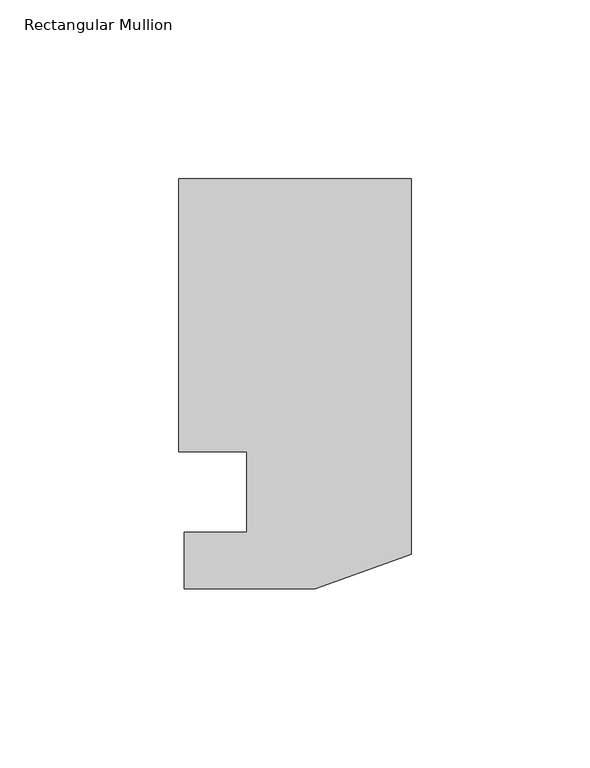
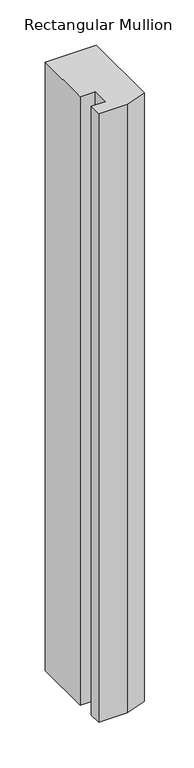
"""IFC4 building model written with IfcOpenShell, lengths in millimetres: member geometry, Rectangular Mullion."""

from ifc_helpers import new_model, si_unit, frame, origin, place, context, project, spatial, polyline, outline, extrude, source, transform, mapped, element, save


def rectangular_mullion_7e46ad4f(model_context):
    return source(origin(), model_context, "Body", "SweptSolid", [
        extrude(outline(polyline([(-46.0375, 0.0992188), (-65.0748, 0.0992188), (-65.0748, 76.6294187), (0.0, 76.6294187), (0.0, -28.4757813), (-26.8478, -38.2293813), (-63.5, -38.2293813), (-63.5, -22.3797813), (-46.0375, -22.3797813), (-46.0375, 0.0992188)])), frame((0.0, 0.0, -819.15), z_axis=(0.0, 0.0, 1.0), x_axis=(1.0, 0.0, 0.0)), (0.0, 0.0, 1.0), 819.15),
    ])


if __name__ == "__main__":
    model = new_model("IFC4")
    model_context = context("Model", 3, world=origin())
    ifc_project = project(units=[si_unit("LENGTHUNIT", "METRE", prefix="MILLI")], contexts=[model_context])
    site = spatial("IfcSite", under=ifc_project)
    building = spatial("IfcBuilding", under=site)
    placement = place(None, origin())
    rectangular_mullion_shape = rectangular_mullion_7e46ad4f(model_context)
    element("IfcMember", 1, ObjectType="Rectangular Mullion", at=placement, inside=building, context=model_context, shape_type="MappedRepresentation", body=[
        mapped(rectangular_mullion_shape, transform((0.0, 0.0, 0.0), x_axis=(1.0, 0.0, 0.0), y_axis=(0.0, 1.0, 0.0), z_axis=(0.0, 0.0, 1.0))),
    ])
    save(model, "model.ifc")
